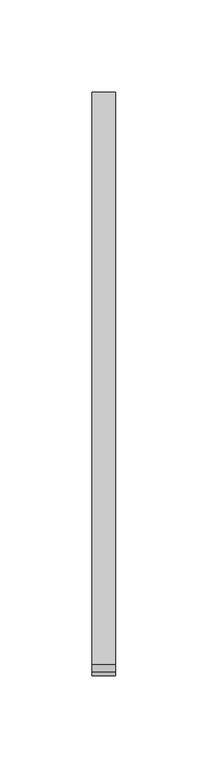
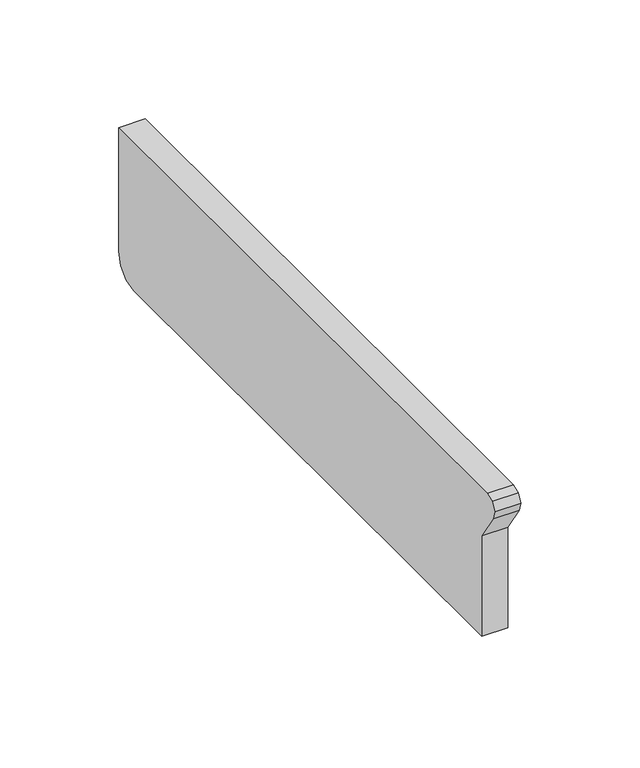
"""IFC4 building model written with IfcOpenShell, lengths in millimetres: furniture geometry."""

import ifcopenshell
import ifcopenshell.guid

model = None  # the IFC model being written
_history = None  # IfcOwnerHistory: only IFC2X3 demands one
_inside = {}  # id of a spatial element -> (the spatial element, [elements in it])
_under = {}  # id of a project, library or spatial element -> (it, [spatial elements below it])
_declared = {}  # id of a project -> (the project, [libraries it declares])
_typed = {}  # id of a type object -> (the type object, [elements of that type])
_made_of = {}  # id of a material, layer set ... -> (it, [elements and type objects made of it])


def new_model(schema):
    """Start an empty IFC model of exactly this schema.

    Asked for "IFC4X3", IfcOpenShell would pick the latest addendum, in which some entities
    have other attributes; the version numbers below select the first issue.
    IFC2X3 requires an IfcOwnerHistory on every rooted entity: one is made here for all.
    """
    global model, _history
    if schema == "IFC4X3":
        model = ifcopenshell.file(schema_version=(4, 3, 0, 0))
    else:
        model = ifcopenshell.file(schema=schema)
    _inside.clear()
    _under.clear()
    _declared.clear()
    _typed.clear()
    _made_of.clear()
    _history = None
    if model.schema == "IFC2X3":
        org = make("IfcOrganization", Name="unknown")
        user = make(
            "IfcPersonAndOrganization",
            ThePerson=make("IfcPerson", FamilyName="unknown"),
            TheOrganization=org,
        )
        app = make(
            "IfcApplication",
            ApplicationDeveloper=org,
            Version="unknown",
            ApplicationFullName="unknown",
            ApplicationIdentifier="unknown",
        )
        _history = make(
            "IfcOwnerHistory",
            OwningUser=user,
            OwningApplication=app,
            ChangeAction="ADDED",
            CreationDate=0,
        )
    return model


def make(cls, **values):
    """One entity of the class cls with the attributes given. An attribute that is None is left unset."""
    return model.create_entity(
        cls, **{name: value for name, value in values.items() if value is not None}
    )


def rooted(cls, **values):
    """An entity with a GlobalId (a new one), such as an element, a storey or a relation."""
    return make(cls, GlobalId=ifcopenshell.guid.new(), OwnerHistory=_history, **values)


def si_unit(unit_type, name, prefix=None):
    """IfcSIUnit, for example si_unit("LENGTHUNIT", "METRE", prefix="MILLI")."""
    return make("IfcSIUnit", UnitType=unit_type, Prefix=prefix, Name=name)


def assignment(units):
    """IfcUnitAssignment: the units of a project."""
    return None if units is None else make("IfcUnitAssignment", Units=units)


def point(xyz):
    """IfcCartesianPoint."""
    return None if xyz is None else make("IfcCartesianPoint", Coordinates=xyz)


def direction(xyz):
    """IfcDirection."""
    return None if xyz is None else make("IfcDirection", DirectionRatios=xyz)


def frame(location, z_axis=None, x_axis=None):
    """IfcAxis2Placement3D, a coordinate frame: its origin and axes. An axis left out is left unset."""
    return make(
        "IfcAxis2Placement3D",
        Location=point(location),
        Axis=direction(z_axis),
        RefDirection=direction(x_axis),
    )


def origin():
    """The frame at (0, 0, 0) with its axes left unset."""
    return frame((0.0, 0.0, 0.0))


def place(relative_to, where):
    """IfcLocalPlacement: puts the frame where relative to a parent placement (None: the world)."""
    return make(
        "IfcLocalPlacement", PlacementRelTo=relative_to, RelativePlacement=where
    )


def context(
    kind, dimensions, precision=None, world=None, true_north=None, identifier=None
):
    """IfcGeometricRepresentationContext, for example the 3D "Model" context."""
    return make(
        "IfcGeometricRepresentationContext",
        ContextIdentifier=identifier,
        ContextType=kind,
        CoordinateSpaceDimension=dimensions,
        Precision=precision,
        WorldCoordinateSystem=world,
        TrueNorth=true_north,
    )


def project(units=None, contexts=None):
    """IfcProject with its units and contexts."""
    return rooted(
        "IfcProject",
        Name="project",
        RepresentationContexts=contexts,
        UnitsInContext=assignment(units),
    )


def spatial(cls, under=None, at=None, **own):
    """A site, building, storey or space (cls), placed at a placement, below another one or the project."""
    s = rooted(cls, ObjectPlacement=at, **own)
    if under is not None:
        _under.setdefault(under.id(), (under, []))[1].append(s)
    return s


def polyline(points):
    """IfcPolyline through the points."""
    return make("IfcPolyline", Points=[point(p) for p in points])


def outline(outer, holes=None, kind="AREA"):
    """IfcArbitraryClosedProfileDef: a profile drawn as a closed curve; with holes, ...WithVoids."""
    if holes is None:
        return make("IfcArbitraryClosedProfileDef", ProfileType=kind, OuterCurve=outer)
    return make(
        "IfcArbitraryProfileDefWithVoids",
        ProfileType=kind,
        OuterCurve=outer,
        InnerCurves=holes,
    )


def extrude(swept, where, along, depth):
    """IfcExtrudedAreaSolid: the profile swept, set in the frame where, extruded along a direction by depth."""
    return make(
        "IfcExtrudedAreaSolid",
        SweptArea=swept,
        Position=where,
        ExtrudedDirection=direction(along),
        Depth=depth,
    )


def shape(context_of_items, identifier, shape_type, items):
    """IfcShapeRepresentation: the items that make up one representation, for example the "Body"."""
    return make(
        "IfcShapeRepresentation",
        ContextOfItems=context_of_items,
        RepresentationIdentifier=identifier,
        RepresentationType=shape_type,
        Items=items,
    )


def source(mapping_origin, context_of_items, identifier, shape_type, items):
    """IfcRepresentationMap: a shape defined once, which mapped items show again and again."""
    return make(
        "IfcRepresentationMap",
        MappingOrigin=mapping_origin,
        MappedRepresentation=shape(context_of_items, identifier, shape_type, items),
    )


def transform(
    local_origin,
    x_axis=None,
    y_axis=None,
    z_axis=None,
    scale=None,
    scale2=None,
    scale3=None,
    uniform=True,
):
    """IfcCartesianTransformationOperator3D, or its non-uniform kind. x_axis, y_axis, z_axis: its Axis1, 2, 3."""
    if uniform:
        return make(
            "IfcCartesianTransformationOperator3D",
            Axis1=direction(x_axis),
            Axis2=direction(y_axis),
            LocalOrigin=point(local_origin),
            Scale=scale,
            Axis3=direction(z_axis),
        )
    return make(
        "IfcCartesianTransformationOperator3DnonUniform",
        Axis1=direction(x_axis),
        Axis2=direction(y_axis),
        LocalOrigin=point(local_origin),
        Scale=scale,
        Axis3=direction(z_axis),
        Scale2=scale2,
        Scale3=scale3,
    )


def mapped(mapping_source, mapping_target):
    """IfcMappedItem: shows the shape of a source again, moved by a transform."""
    return make(
        "IfcMappedItem", MappingSource=mapping_source, MappingTarget=mapping_target
    )


def made_of(thing, what):
    """Note that an element or type object is made of a material, layer set ...; save() writes the relation."""
    if what is not None:
        _made_of.setdefault(what.id(), (what, []))[1].append(thing)
    return thing


def element(
    cls,
    number,
    at=None,
    inside=None,
    cuts=None,
    type_object=None,
    material=None,
    context=None,
    identifier="Body",
    shape_type=None,
    held_by="IfcProductDefinitionShape",
    body=None,
    shapes=None,
    **own,
):
    """One element of the class cls, such as IfcWall. Its Tag is "e" and its number.

    at: its placement. inside: the storey or other place that contains it. cuts: it is an
    opening in that element (IfcRelVoidsElement). A single representation is given by context,
    identifier, shape_type and body (its items); several are given by shapes. held_by: the class
    of the entity that holds the representations. save() writes the other relations.
    """
    e = rooted(cls, Tag="e%d" % number, ObjectPlacement=at, **own)
    if body is not None:
        shapes = [shape(context, identifier, shape_type, body)]
    if shapes is not None:
        e.Representation = make(held_by, Representations=shapes)
    if inside is not None:
        _inside.setdefault(inside.id(), (inside, []))[1].append(e)
    if cuts is not None:
        rooted(
            "IfcRelVoidsElement", RelatingBuildingElement=cuts, RelatedOpeningElement=e
        )
    if type_object is not None:
        _typed.setdefault(type_object.id(), (type_object, []))[1].append(e)
    return made_of(e, material)


def aggregate(whole, parts):
    """IfcRelAggregates: a whole, such as a stair, and the parts it consists of."""
    return rooted("IfcRelAggregates", RelatingObject=whole, RelatedObjects=parts)


def save(model, path):
    """Write the relations noted so far, then the file.

    IfcRelAggregates (storeys below a building ...), IfcRelContainedInSpatialStructure (elements
    in a storey), IfcRelDefinesByType, IfcRelAssociatesMaterial and IfcRelDeclares: one each for
    every whole, place, type object, material and project.
    """
    for whole, parts in _under.values():
        aggregate(whole, parts)
    for where, things in _inside.values():
        rooted(
            "IfcRelContainedInSpatialStructure",
            RelatedElements=things,
            RelatingStructure=where,
        )
    for kind, things in _typed.values():
        rooted("IfcRelDefinesByType", RelatedObjects=things, RelatingType=kind)
    for what, things in _made_of.values():
        rooted("IfcRelAssociatesMaterial", RelatedObjects=things, RelatingMaterial=what)
    for by, libraries in _declared.values():
        rooted("IfcRelDeclares", RelatingContext=by, RelatedDefinitions=libraries)
    model.write(path)


def furniture_d8431c9a(model_context):
    return source(origin(), model_context, "Body", "SweptSolid", [
        extrude(outline(polyline([(-34.4332919, 824.5032087), (-326.8573867, 824.5032087), (-326.8573867, 876.0473463), (-336.5789227, 890.675278), (-337.6843422, 895.05468), (-335.59875, 899.0610942), (-331.377278, 900.6674824), (-21.75256, 900.6674824), (-21.75256, 837.1312903), (-23.4347672, 830.8532027), (-28.0832818, 826.2046881), (-34.4332919, 824.5032087)])), frame((12.3877049, 0.0, 0.0), z_axis=(1.0, 0.0, 0.0), x_axis=(0.0, 1.0, 0.0)), (0.0, 0.0, 1.0), 12.7),
    ])


if __name__ == "__main__":
    model = new_model("IFC4")
    model_context = context("Model", 3, world=origin())
    ifc_project = project(units=[si_unit("LENGTHUNIT", "METRE", prefix="MILLI")], contexts=[model_context])
    site = spatial("IfcSite", under=ifc_project)
    building = spatial("IfcBuilding", under=site)
    placement = place(None, origin())
    furniture_shape = furniture_d8431c9a(model_context)
    element("IfcFurniture", 1, at=placement, inside=building, context=model_context, shape_type="MappedRepresentation", body=[
        mapped(furniture_shape, transform((0.0, 0.0, 0.0), x_axis=(1.0, 0.0, 0.0), y_axis=(0.0, 1.0, 0.0), z_axis=(0.0, 0.0, 1.0))),
    ])
    save(model, "model.ifc")
